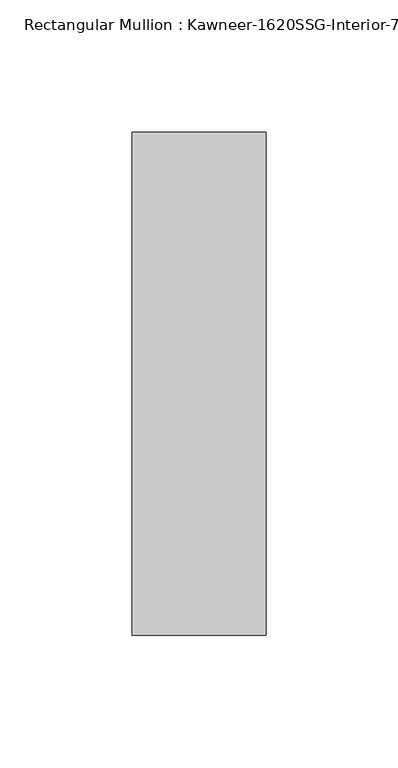
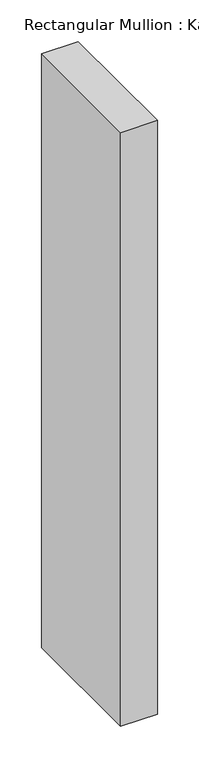
"""IFC4 building model written with IfcOpenShell, lengths in millimetres: member geometry."""

from ifc_helpers import new_model, si_unit, frame, origin, place, context, project, spatial, polyline, outline, extrude, source, transform, mapped, element, save


def member_6b878588(model_context):
    return source(origin(), model_context, "Body", "SweptSolid", [
        extrude(outline(polyline([(25.4, -161.925), (-25.4, -161.925), (-25.4, 28.575), (25.4, 28.575), (25.4, -161.925)])), frame((0.0, 0.0, -870.8182369), z_axis=(0.0, 0.0, 1.0), x_axis=(1.0, 0.0, 0.0)), (0.0, 0.0, 1.0), 870.8182369),
    ])


if __name__ == "__main__":
    model = new_model("IFC4")
    model_context = context("Model", 3, world=origin())
    ifc_project = project(units=[si_unit("LENGTHUNIT", "METRE", prefix="MILLI")], contexts=[model_context])
    site = spatial("IfcSite", under=ifc_project)
    building = spatial("IfcBuilding", under=site)
    placement = place(None, origin())
    member_shape = member_6b878588(model_context)
    element("IfcMember", 1, ObjectType="Rectangular Mullion : Kawneer-1620SSG-Interior-7.5\"-1/4\"Infill", at=placement, inside=building, context=model_context, shape_type="MappedRepresentation", body=[
        mapped(member_shape, transform((0.0, 0.0, 0.0), x_axis=(1.0, 0.0, 0.0), y_axis=(0.0, 1.0, 0.0), z_axis=(0.0, 0.0, 1.0))),
    ])
    save(model, "model.ifc")
